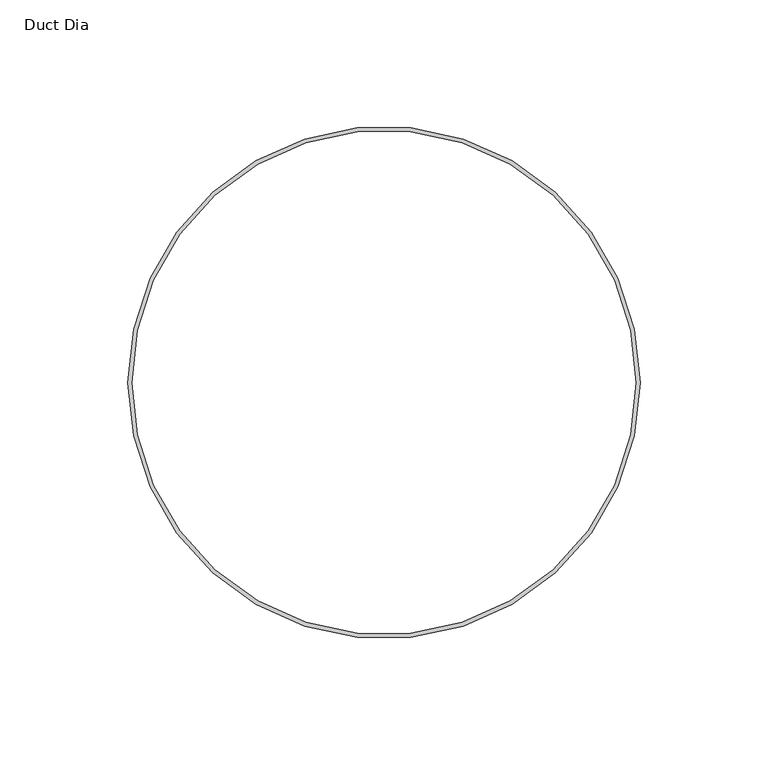
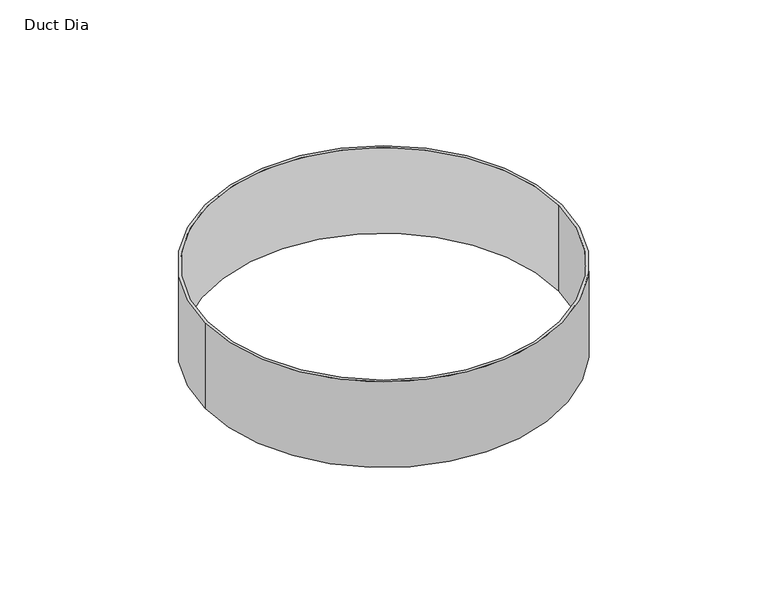
"""IFC4 building model written with IfcOpenShell, lengths in millimetres: proxy geometry, Duct Dia."""

from ifc_helpers import new_model, si_unit, point, origin, origin_with_axes, origin_2d, place, context, project, spatial, circle_curve, trimmed, segment, composite_curve, outline, extrude, source, transform, mapped, element, save


def duct_dia_57624b1a(model_context):
    return source(origin(), model_context, "Body", "SweptSolid", [
        extrude(outline(composite_curve([segment(trimmed(circle_curve(origin_2d(), 100.0621094), [point((-100.0621094, 0.0))], [point((100.0621094, 0.0))], False, "CARTESIAN"), True, "CONTINUOUS"), segment(trimmed(circle_curve(origin_2d(), 100.0621094), [point((100.0621094, 0.0))], [point((-100.0621094, 0.0))], False, "CARTESIAN"), True, "CONTINUOUS")], self_intersect=False), holes=[composite_curve([segment(trimmed(circle_curve(origin_2d(), 98.4746094), [point((-98.4746094, 0.0))], [point((98.4746094, 0.0))], True, "CARTESIAN"), True, "CONTINUOUS"), segment(trimmed(circle_curve(origin_2d(), 98.4746094), [point((98.4746094, 0.0))], [point((-98.4746094, 0.0))], True, "CARTESIAN"), True, "CONTINUOUS")], self_intersect=False)]), origin_with_axes(), (0.0, 0.0, 1.0), 50.8),
    ])


if __name__ == "__main__":
    model = new_model("IFC4")
    model_context = context("Model", 3, world=origin())
    ifc_project = project(units=[si_unit("LENGTHUNIT", "METRE", prefix="MILLI")], contexts=[model_context])
    site = spatial("IfcSite", under=ifc_project)
    building = spatial("IfcBuilding", under=site)
    placement = place(None, origin())
    duct_dia_shape = duct_dia_57624b1a(model_context)
    element("IfcBuildingElementProxy", 1, Name="Duct Dia", ObjectType="Duct Dia", at=placement, inside=building, context=model_context, shape_type="MappedRepresentation", body=[
        mapped(duct_dia_shape, transform((0.0, 0.0, 0.0), x_axis=(1.0, 0.0, 0.0), y_axis=(0.0, 1.0, 0.0), z_axis=(0.0, 0.0, 1.0))),
    ])
    save(model, "model.ifc")
